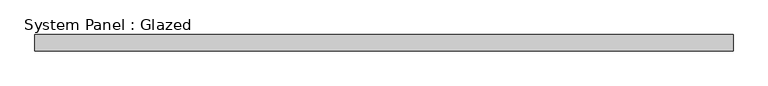
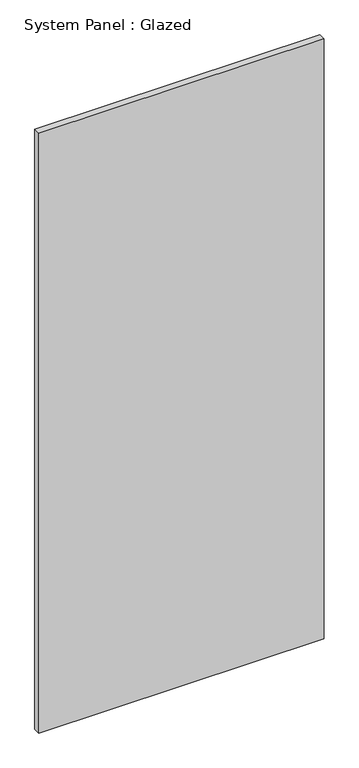
"""IFC4 building model written with IfcOpenShell, lengths in millimetres: plate geometry, System Panel : Glazed."""

from ifc_helpers import new_model, si_unit, origin, origin_with_axes, place, context, project, spatial, polyline, outline, extrude, source, transform, mapped, element, save


def system_panel_glazed_6dc59c96(model_context):
    return source(origin(), model_context, "Body", "SweptSolid", [
        extrude(outline(polyline([(541.2088768, -12.7), (-541.2088768, -12.7), (-541.2088768, 12.7), (541.2088768, 12.7), (541.2088768, -12.7)])), origin_with_axes(), (0.0, 0.0, 1.0), 2405.8832375),
    ])


if __name__ == "__main__":
    model = new_model("IFC4")
    model_context = context("Model", 3, world=origin())
    ifc_project = project(units=[si_unit("LENGTHUNIT", "METRE", prefix="MILLI")], contexts=[model_context])
    site = spatial("IfcSite", under=ifc_project)
    building = spatial("IfcBuilding", under=site)
    placement = place(None, origin())
    system_panel_glazed_shape = system_panel_glazed_6dc59c96(model_context)
    element("IfcPlate", 1, ObjectType="System Panel : Glazed", at=placement, inside=building, context=model_context, shape_type="MappedRepresentation", body=[
        mapped(system_panel_glazed_shape, transform((0.0, 0.0, 0.0), x_axis=(1.0, 0.0, 0.0), y_axis=(0.0, 1.0, 0.0), z_axis=(0.0, 0.0, 1.0))),
    ])
    save(model, "model.ifc")
